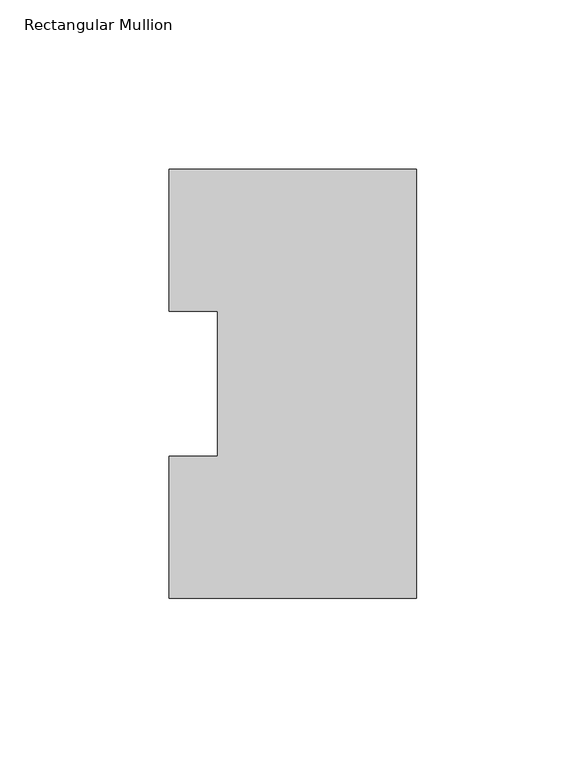
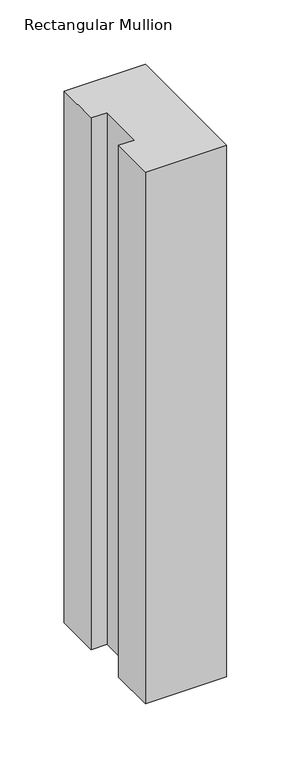
"""IFC4 building model written with IfcOpenShell, lengths in millimetres: member geometry, Rectangular Mullion."""

from ifc_helpers import new_model, si_unit, frame, origin, place, context, project, spatial, polyline, outline, extrude, source, transform, mapped, element, save


def rectangular_mullion_a19e9a7c(model_context):
    return source(origin(), model_context, "Body", "SweptSolid", [
        extrude(outline(polyline([(0.0, 126.75235), (0.0, 0.26035), (-73.025, 0.26035), (-73.025, 42.0814491), (-58.7375, 42.0814491), (-58.7375, 84.93125), (-73.025, 84.93125), (-73.025, 126.75235), (0.0, 126.75235)])), frame((0.0, 0.0, -504.8247287), z_axis=(0.0, 0.0, 1.0), x_axis=(1.0, 0.0, 0.0)), (0.0, 0.0, 1.0), 504.8247287),
    ])


if __name__ == "__main__":
    model = new_model("IFC4")
    model_context = context("Model", 3, world=origin())
    ifc_project = project(units=[si_unit("LENGTHUNIT", "METRE", prefix="MILLI")], contexts=[model_context])
    site = spatial("IfcSite", under=ifc_project)
    building = spatial("IfcBuilding", under=site)
    placement = place(None, origin())
    rectangular_mullion_shape = rectangular_mullion_a19e9a7c(model_context)
    element("IfcMember", 1, ObjectType="Rectangular Mullion", at=placement, inside=building, context=model_context, shape_type="MappedRepresentation", body=[
        mapped(rectangular_mullion_shape, transform((0.0, 0.0, 0.0), x_axis=(1.0, 0.0, 0.0), y_axis=(0.0, 1.0, 0.0), z_axis=(0.0, 0.0, 1.0))),
    ])
    save(model, "model.ifc")
